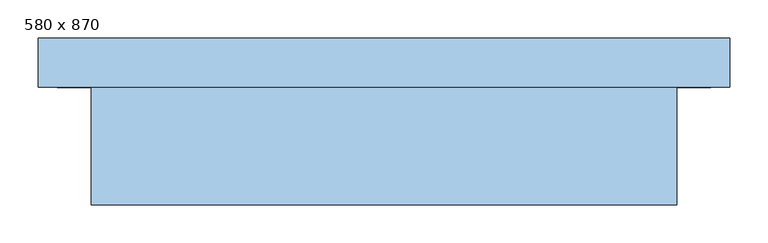
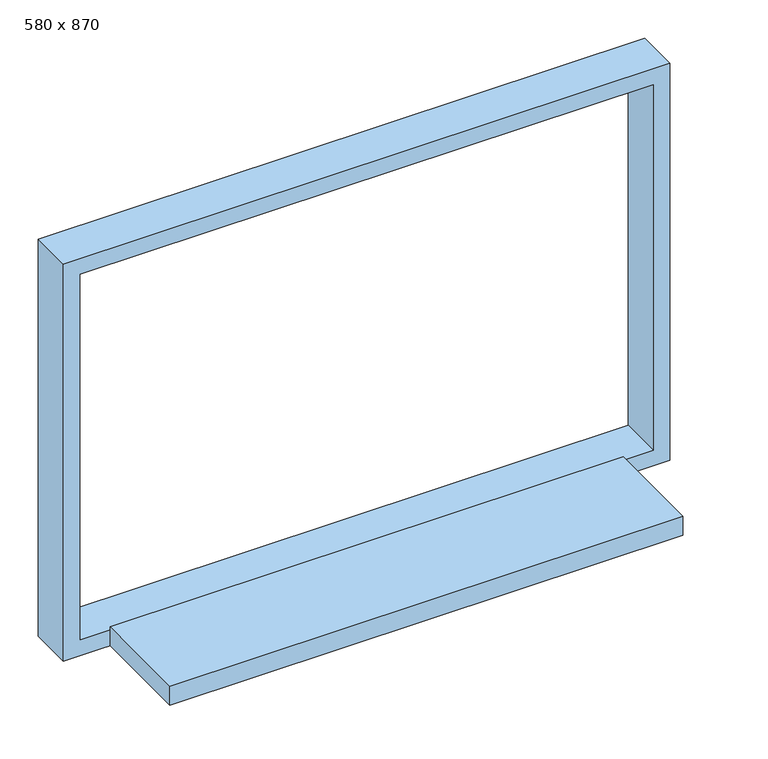
"""IFC4 building model written with IfcOpenShell, lengths in millimetres: window geometry, 580 x 870."""

from ifc_helpers import new_model, si_unit, frame, origin, place, context, project, spatial, polyline, outline, extrude, source, transform, mapped, element, save


def window_580_x_870_81056ec2(model_context):
    return source(origin(), model_context, "Body", "SweptSolid", [
        extrude(outline(polyline([(346.9, -120.0), (346.9, -275.0), (-423.1, -275.0), (-423.1, -120.0), (346.9, -120.0)])), frame((0.0, 0.0, 800.0), z_axis=(0.0, 0.0, 1.0), x_axis=(1.0, 0.0, 0.0)), (0.0, 0.0, 1.0), 30.0),
        extrude(outline(polyline([(1430.0, -493.1), (800.0, -493.1), (800.0, 416.9), (1430.0, 416.9), (1430.0, -493.1)]), holes=[polyline([(825.0, -468.1), (1405.0, -468.1), (1405.0, 391.9), (825.0, 391.9), (825.0, -468.1)])]), frame((0.0, -120.0, 0.0), z_axis=(0.0, 1.0, 0.0), x_axis=(0.0, 0.0, 1.0)), (0.0, 0.0, 1.0), 65.0),
    ])


if __name__ == "__main__":
    model = new_model("IFC4")
    model_context = context("Model", 3, world=origin())
    ifc_project = project(units=[si_unit("LENGTHUNIT", "METRE", prefix="MILLI")], contexts=[model_context])
    site = spatial("IfcSite", under=ifc_project)
    building = spatial("IfcBuilding", under=site)
    placement = place(None, origin())
    window_580_x_870_shape = window_580_x_870_81056ec2(model_context)
    element("IfcWindow", 1, ObjectType="580 x 870", at=placement, inside=building, context=model_context, shape_type="MappedRepresentation", body=[
        mapped(window_580_x_870_shape, transform((0.0, 0.0, 0.0), x_axis=(1.0, 0.0, 0.0), y_axis=(0.0, 1.0, 0.0), z_axis=(0.0, 0.0, 1.0))),
    ])
    save(model, "model.ifc")
